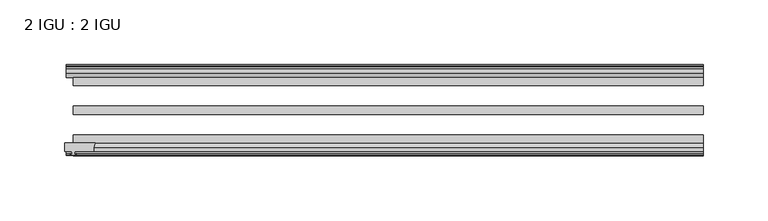
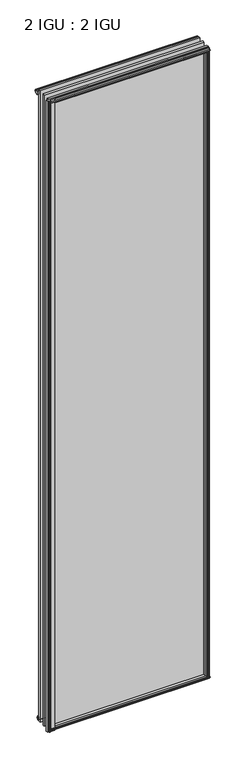
"""IFC4 building model written with IfcOpenShell, lengths in millimetres: plate geometry, 2 IGU : 2 IGU."""

from ifc_helpers import new_model, si_unit, point, frame, frame_2d, origin, origin_with_axes, place, context, project, spatial, polyline, circle_curve, trimmed, segment, composite_curve, outline, extrude, source, transform, mapped, element, save


def plate_2_igu_2_igu_1534b4f7(model_context):
    return source(origin(), model_context, "Body", "SweptSolid", [
        extrude(outline(polyline([(232.6751267, -10.4746158), (234.8526558, -9.7670937), (237.0301848, -10.4746158), (237.0301848, -11.27583), (235.6146558, -10.8158968), (235.9956558, -13.1960937), (240.4406558, -13.1960937), (240.4406558, -16.1424937), (237.6063136, -19.5460937), (226.7849377, -19.5460937), (228.5026558, -13.1960937), (233.7096558, -13.1960937), (234.0906558, -10.8158968), (232.6751267, -11.27583), (232.6751267, -10.4746158)])), origin_with_axes(), (0.0, 0.0, 1.0), 1993.9),
        extrude(outline(composite_curve([segment(polyline([(-250.2069558, -69.9960936), (-226.9982271, -69.9960936)]), True, "CONTINUOUS"), segment(trimmed(circle_curve(frame_2d((-215.6408301, -75.0067563)), 12.4135896), [point((-226.9982271, -69.9960936))], [point((-227.9819558, -76.3460936))], True, "CARTESIAN"), True, "CONTINUOUS"), segment(polyline([(-227.9819558, -76.3460936), (-242.5869558, -76.3460936), (-242.9044558, -78.4506955), (-241.6858499, -78.124171), (-241.4820558, -78.884741), (-243.8569558, -79.5210936), (-246.2318558, -78.884741), (-246.0280617, -78.124171), (-244.8094558, -78.4506955), (-245.1269558, -76.3460936), (-250.2069558, -76.3460936), (-250.2069558, -69.9960936)]), True, "CONTINUOUS")], self_intersect=False)), frame((0.0, 0.0, -12.4587), z_axis=(0.0, 0.0, 1.0), x_axis=(1.0, 0.0, 0.0)), (0.0, 0.0, 1.0), 2018.8174),
        extrude(outline(polyline([(-19.5460937, 1.5938931), (-13.1960937, -0.123825), (-13.1960937, -5.330825), (-10.8158968, -5.711825), (-11.27583, -4.2962959), (-10.4746158, -4.2962959), (-9.7670937, -6.473825), (-10.4746158, -8.6513541), (-11.27583, -8.6513541), (-10.8158968, -7.235825), (-13.1960937, -7.616825), (-13.1960937, -12.061825), (-16.1424937, -12.061825), (-19.5460937, -9.2274828), (-19.5460937, 1.5938931)])), frame((-243.8569558, 0.0, 0.0), z_axis=(1.0, 0.0, 0.0), x_axis=(0.0, 1.0, 0.0)), (0.0, 0.0, 1.0), 484.5389115),
        extrude(outline(polyline([(-69.9960936, 2.1145931), (-69.9960936, -8.7067828), (-73.3996936, -11.541125), (-76.3460936, -11.541125), (-76.3460936, -7.096125), (-78.7262905, -6.715125), (-78.2663573, -8.1306541), (-79.0675715, -8.1306541), (-79.7750936, -5.953125), (-79.0675715, -3.7755959), (-78.2663573, -3.7755959), (-78.7262905, -5.191125), (-76.3460936, -4.810125), (-76.3460936, 0.396875), (-69.9960936, 2.1145931)])), frame((-243.8569558, 0.0, 0.0), z_axis=(1.0, 0.0, 0.0), x_axis=(0.0, 1.0, 0.0)), (0.0, 0.0, 1.0), 484.5389115),
        extrude(outline(polyline([(-10.8158968, 2001.5327), (-11.27583, 2002.9482291), (-10.4746158, 2002.9482291), (-9.7670937, 2000.7707), (-10.4746158, 1998.5931709), (-11.27583, 1998.5931709), (-10.8158968, 2000.0087), (-13.1960937, 1999.6277), (-13.1960937, 1994.4207), (-19.5460937, 1992.7029819), (-19.5460937, 2003.5243578), (-16.1424937, 2006.3587), (-13.1960937, 2006.3587), (-13.1960937, 2001.9137), (-10.8158968, 2001.5327)])), frame((-249.2030617, 0.0, 0.0), z_axis=(1.0, 0.0, 0.0), x_axis=(0.0, 1.0, 0.0)), (0.0, 0.0, 1.0), 489.8850174),
        extrude(outline(polyline([(-76.3460936, 2005.838), (-73.3996936, 2005.838), (-69.9960936, 2003.0036578), (-69.9960936, 1992.1822819), (-76.3460936, 1993.9), (-76.3460936, 1999.107), (-78.7262905, 1999.488), (-78.2663573, 1998.0724709), (-79.0675715, 1998.0724709), (-79.7750936, 2000.25), (-79.0675715, 2002.4275291), (-78.2663573, 2002.4275291), (-78.7262905, 2001.012), (-76.3460936, 2001.393), (-76.3460936, 2005.838)])), frame((-249.2030617, 0.0, 0.0), z_axis=(1.0, 0.0, 0.0), x_axis=(0.0, 1.0, 0.0)), (0.0, 0.0, 1.0), 489.8850174),
        extrude(outline(polyline([(226.2642377, -69.9960936), (237.0856136, -69.9960936), (239.9199558, -73.3996936), (239.9199558, -76.3460936), (235.4749558, -76.3460936), (235.0939558, -78.7262905), (236.5094848, -78.2663573), (236.5094848, -79.0675715), (234.3319558, -79.7750936), (232.1544267, -79.0675715), (232.1544267, -78.2663573), (233.5699558, -78.7262905), (233.1889558, -76.3460936), (227.9819558, -76.3460936), (226.2642377, -69.9960936)])), origin_with_axes(), (0.0, 0.0, 1.0), 1993.9),
        extrude(outline(polyline([(-234.8526558, -9.7670937), (-232.6751267, -10.4746158), (-232.6751267, -11.27583), (-234.0906558, -10.8158968), (-233.7096558, -13.1960937), (-228.5026558, -13.1960937), (-226.7849377, -19.5460937), (-237.6063136, -19.5460937), (-240.4406558, -16.1424937), (-240.4406558, -13.1960937), (-235.9956558, -13.1960937), (-235.6146558, -10.8158968), (-237.0301848, -11.27583), (-237.0301848, -10.4746158), (-234.8526558, -9.7670937)])), origin_with_axes(), (0.0, 0.0, 1.0), 1993.9),
        extrude(outline(polyline([(240.6819558, -19.5460937), (240.6819558, -25.8960937), (-243.8569558, -25.8960937), (-243.8569558, -19.5460937), (240.6819558, -19.5460937)])), frame((0.0, 0.0, -12.303125), z_axis=(0.0, 0.0, 1.0), x_axis=(1.0, 0.0, 0.0)), (0.0, 0.0, 1.0), 2018.903125),
        extrude(outline(polyline([(-243.8569558, -41.5960937), (240.6819558, -41.5960937), (240.6819558, -47.9460937), (-243.8569558, -47.9460937), (-243.8569558, -41.5960937)])), frame((0.0, 0.0, -12.303125), z_axis=(0.0, 0.0, 1.0), x_axis=(1.0, 0.0, 0.0)), (0.0, 0.0, 1.0), 2018.903125),
        extrude(outline(polyline([(240.6819558, -63.6460936), (240.6819558, -69.9960936), (-243.8569558, -69.9960936), (-243.8569558, -63.6460936), (240.6819558, -63.6460936)])), frame((0.0, 0.0, -12.303125), z_axis=(0.0, 0.0, 1.0), x_axis=(1.0, 0.0, 0.0)), (0.0, 0.0, 1.0), 2018.903125),
    ])


if __name__ == "__main__":
    model = new_model("IFC4")
    model_context = context("Model", 3, world=origin())
    ifc_project = project(units=[si_unit("LENGTHUNIT", "METRE", prefix="MILLI")], contexts=[model_context])
    site = spatial("IfcSite", under=ifc_project)
    building = spatial("IfcBuilding", under=site)
    placement = place(None, origin())
    plate_2_igu_2_igu_shape = plate_2_igu_2_igu_1534b4f7(model_context)
    element("IfcPlate", 1, ObjectType="2 IGU : 2 IGU", at=placement, inside=building, context=model_context, shape_type="MappedRepresentation", body=[
        mapped(plate_2_igu_2_igu_shape, transform((0.0, 0.0, 0.0), x_axis=(1.0, 0.0, 0.0), y_axis=(0.0, 1.0, 0.0), z_axis=(0.0, 0.0, 1.0))),
    ])
    save(model, "model.ifc")
